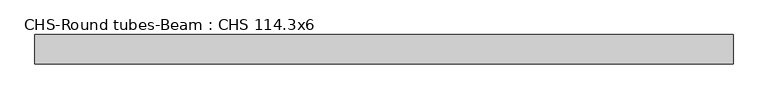
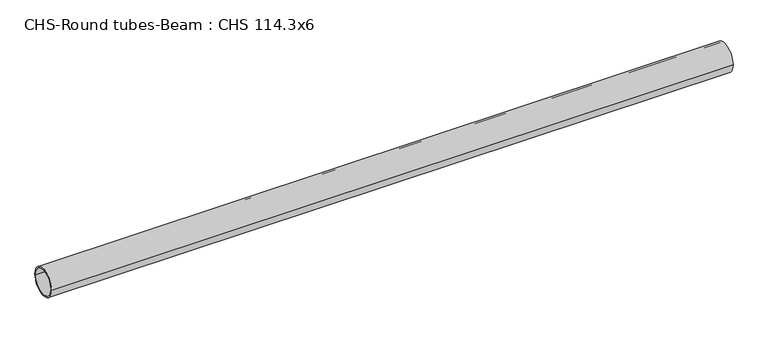
"""IFC4 building model written with IfcOpenShell, lengths in millimetres: beam geometry, CHS-Round tubes-Beam : CHS 114.3x6."""

from ifc_helpers import new_model, si_unit, point, frame, origin, origin_2d, place, context, project, spatial, circle_curve, trimmed, segment, composite_curve, outline, extrude, source, transform, mapped, element, save


def chs_round_tubes_beam_chs_114_3x6_8afbdeaf(model_context):
    return source(origin(), model_context, "Body", "SweptSolid", [
        extrude(outline(composite_curve([segment(trimmed(circle_curve(origin_2d(), 57.15), [point((57.15, 0.0))], [point((-57.15, 0.0))], False, "CARTESIAN"), True, "CONTINUOUS"), segment(trimmed(circle_curve(origin_2d(), 57.15), [point((-57.15, 0.0))], [point((57.15, 0.0))], False, "CARTESIAN"), True, "CONTINUOUS")], self_intersect=False), holes=[composite_curve([segment(trimmed(circle_curve(origin_2d(), 51.15), [point((51.15, 0.0))], [point((-51.15, 0.0))], True, "CARTESIAN"), True, "CONTINUOUS"), segment(trimmed(circle_curve(origin_2d(), 51.15), [point((-51.15, 0.0))], [point((51.15, 0.0))], True, "CARTESIAN"), True, "CONTINUOUS")], self_intersect=False)]), frame((-1315.9423124, 0.0, 0.0), z_axis=(1.0, 0.0, 0.0), x_axis=(0.0, 1.0, 0.0)), (0.0, 0.0, 1.0), 2713.653587),
    ])


if __name__ == "__main__":
    model = new_model("IFC4")
    model_context = context("Model", 3, world=origin())
    ifc_project = project(units=[si_unit("LENGTHUNIT", "METRE", prefix="MILLI")], contexts=[model_context])
    site = spatial("IfcSite", under=ifc_project)
    building = spatial("IfcBuilding", under=site)
    placement = place(None, origin())
    chs_round_tubes_beam_chs_114_3x6_shape = chs_round_tubes_beam_chs_114_3x6_8afbdeaf(model_context)
    element("IfcBeam", 1, ObjectType="CHS-Round tubes-Beam : CHS 114.3x6", at=placement, inside=building, context=model_context, shape_type="MappedRepresentation", body=[
        mapped(chs_round_tubes_beam_chs_114_3x6_shape, transform((0.0, 0.0, 0.0), x_axis=(1.0, 0.0, 0.0), y_axis=(0.0, 1.0, 0.0), z_axis=(0.0, 0.0, 1.0))),
    ])
    save(model, "model.ifc")
